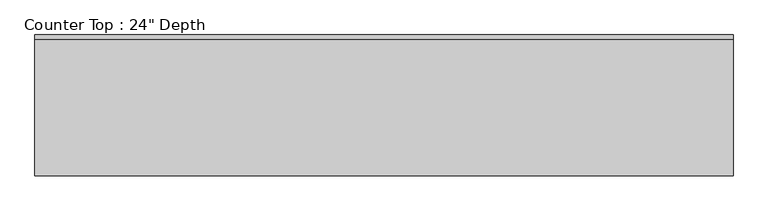
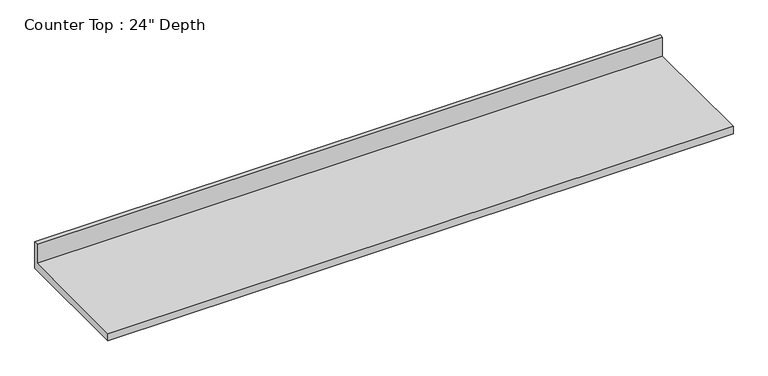
"""IFC4 building model written with IfcOpenShell, lengths in millimetres: furniture geometry."""

from ifc_helpers import new_model, si_unit, frame, origin, place, context, project, spatial, polyline, outline, extrude, source, transform, mapped, element, save


def furniture_72554b2c(model_context):
    return source(origin(), model_context, "Body", "SweptSolid", [
        extrude(outline(polyline([(0.0, 1016.0), (0.0, 876.3), (-635.0, 876.3), (-635.0, 914.4), (-19.05, 914.4), (-19.05, 1016.0), (0.0, 1016.0)])), frame((-1200.4622951, 0.0, 0.0), z_axis=(1.0, 0.0, 0.0), x_axis=(0.0, 1.0, 0.0)), (0.0, 0.0, 1.0), 3143.25),
    ])


if __name__ == "__main__":
    model = new_model("IFC4")
    model_context = context("Model", 3, world=origin())
    ifc_project = project(units=[si_unit("LENGTHUNIT", "METRE", prefix="MILLI")], contexts=[model_context])
    site = spatial("IfcSite", under=ifc_project)
    building = spatial("IfcBuilding", under=site)
    placement = place(None, origin())
    furniture_shape = furniture_72554b2c(model_context)
    element("IfcFurniture", 1, ObjectType="Counter Top : 24\" Depth", at=placement, inside=building, context=model_context, shape_type="MappedRepresentation", body=[
        mapped(furniture_shape, transform((0.0, 0.0, 0.0), x_axis=(1.0, 0.0, 0.0), y_axis=(0.0, 1.0, 0.0), z_axis=(0.0, 0.0, 1.0))),
    ])
    save(model, "model.ifc")
